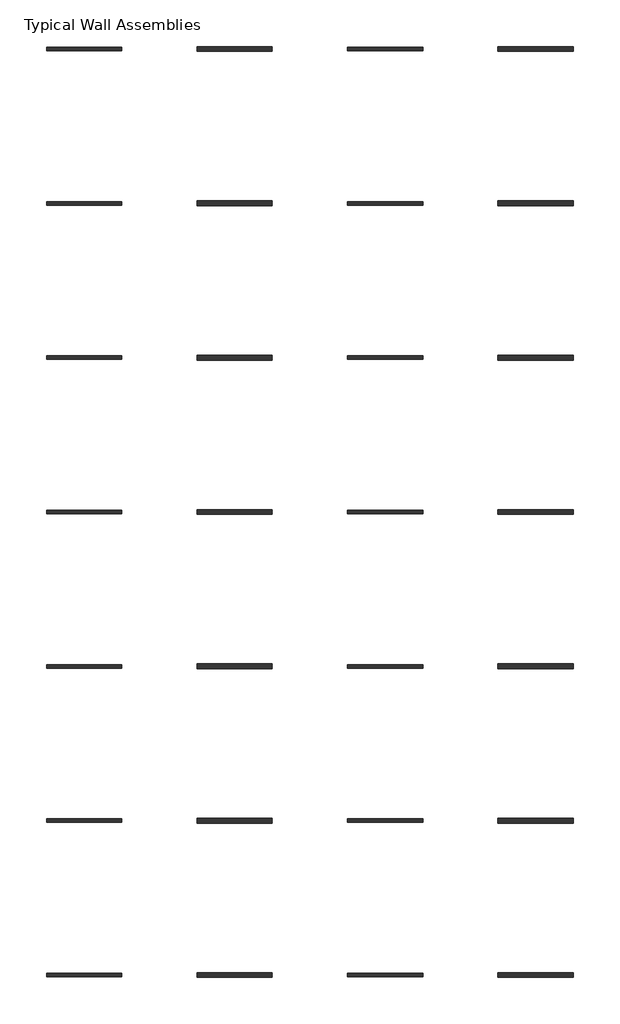
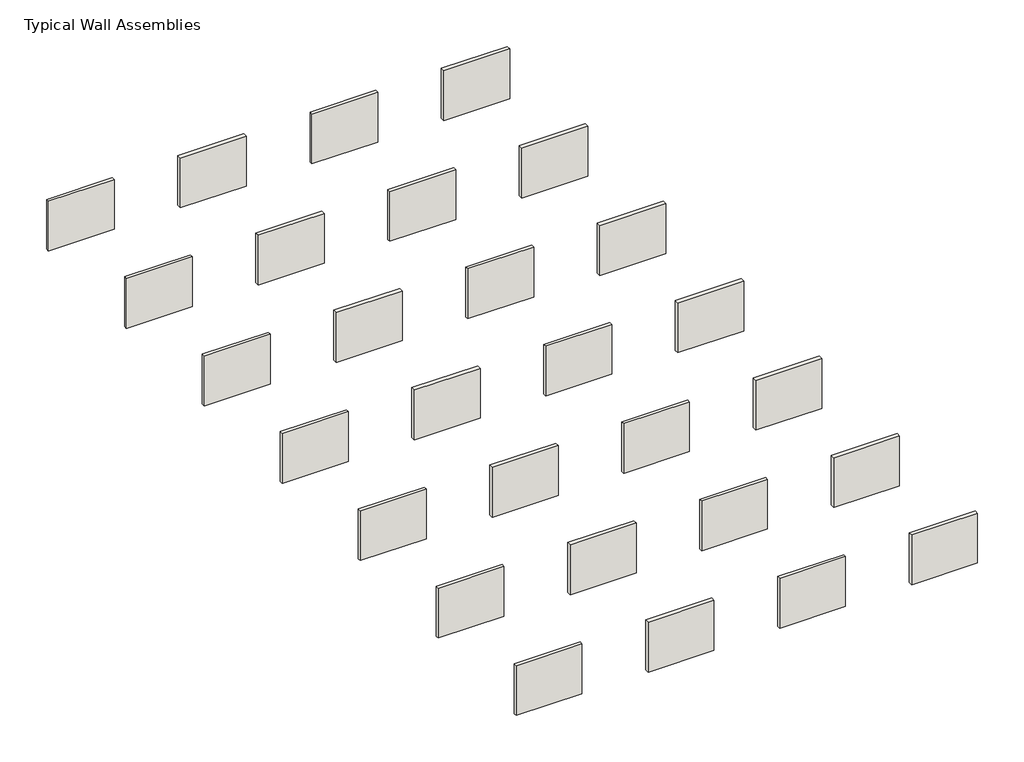
# One storey: 28 walls.
"""IFC4 building model written with IfcOpenShell, lengths in millimetres."""

from ifc_helpers import new_model, si_unit, frame, origin, place, context, project, spatial, polyline, outline, extrude, element, save

model = new_model("IFC4")

# Units and contexts
model_context = context("Model", 3, world=origin())
ifc_project = project(units=[si_unit("LENGTHUNIT", "METRE", prefix="MILLI")], contexts=[model_context])

# Site, building, storey
site = spatial("IfcSite", under=ifc_project)
building = spatial("IfcBuilding", under=site)
storey = spatial("IfcBuildingStorey", under=building, Name="Typical Wall Assemblies", Elevation=6096.0)

# Walls
placement = place(None, origin())
element("IfcWall", 1, at=placement, inside=storey, context=model_context, shape_type="SweptSolid", body=[
    extrude(outline(polyline([(-20030.2558818, 17785.4536912), (-23078.2558818, 17785.4536912), (-23078.2558818, 17929.9161877), (-20030.2558818, 17929.9161877), (-20030.2558818, 17785.4536912)])), frame((0.0, 0.0, 6096.0), z_axis=(0.0, 0.0, 1.0), x_axis=(1.0, 0.0, 0.0)), (0.0, 0.0, 1.0), 2438.4),
])
element("IfcWall", 2, at=placement, inside=storey, context=model_context, shape_type="SweptSolid", body=[
    extrude(outline(polyline([(-13934.2558818, 17760.0536881), (-16982.2558818, 17760.0536881), (-16982.2558818, 17955.3161907), (-13934.2558818, 17955.3161907), (-13934.2558818, 17760.0536881)])), frame((0.0, 0.0, 6096.0), z_axis=(0.0, 0.0, 1.0), x_axis=(1.0, 0.0, 0.0)), (0.0, 0.0, 1.0), 2438.4),
])
element("IfcWall", 3, at=placement, inside=storey, context=model_context, shape_type="SweptSolid", body=[
    extrude(outline(polyline([(-7838.2558818, 17785.4536912), (-10886.2558818, 17785.4536912), (-10886.2558818, 17929.9161877), (-7838.2558818, 17929.9161877), (-7838.2558818, 17785.4536912)])), frame((0.0, 0.0, 6096.0), z_axis=(0.0, 0.0, 1.0), x_axis=(1.0, 0.0, 0.0)), (0.0, 0.0, 1.0), 2438.4),
])
element("IfcWall", 4, at=placement, inside=storey, context=model_context, shape_type="SweptSolid", body=[
    extrude(outline(polyline([(-1742.2558818, 17760.0536881), (-4790.2558818, 17760.0536881), (-4790.2558818, 17955.3161907), (-1742.2558818, 17955.3161907), (-1742.2558818, 17760.0536881)])), frame((0.0, 0.0, 6096.0), z_axis=(0.0, 0.0, 1.0), x_axis=(1.0, 0.0, 0.0)), (0.0, 0.0, 1.0), 2438.4),
])
element("IfcWall", 5, at=placement, inside=storey, context=model_context, shape_type="SweptSolid", body=[
    extrude(outline(polyline([(-20030.2558818, 11537.0536912), (-23078.2558818, 11537.0536912), (-23078.2558818, 11681.5161877), (-20030.2558818, 11681.5161877), (-20030.2558818, 11537.0536912)])), frame((0.0, 0.0, 6096.0), z_axis=(0.0, 0.0, 1.0), x_axis=(1.0, 0.0, 0.0)), (0.0, 0.0, 1.0), 2438.4),
])
element("IfcWall", 6, at=placement, inside=storey, context=model_context, shape_type="SweptSolid", body=[
    extrude(outline(polyline([(-13934.2558818, 11511.6536881), (-16982.2558818, 11511.6536881), (-16982.2558818, 11706.9161907), (-13934.2558818, 11706.9161907), (-13934.2558818, 11511.6536881)])), frame((0.0, 0.0, 6096.0), z_axis=(0.0, 0.0, 1.0), x_axis=(1.0, 0.0, 0.0)), (0.0, 0.0, 1.0), 2438.4),
])
element("IfcWall", 7, at=placement, inside=storey, context=model_context, shape_type="SweptSolid", body=[
    extrude(outline(polyline([(-7838.2558818, 11537.0536912), (-10886.2558818, 11537.0536912), (-10886.2558818, 11681.5161877), (-7838.2558818, 11681.5161877), (-7838.2558818, 11537.0536912)])), frame((0.0, 0.0, 6096.0), z_axis=(0.0, 0.0, 1.0), x_axis=(1.0, 0.0, 0.0)), (0.0, 0.0, 1.0), 2438.4),
])
element("IfcWall", 8, at=placement, inside=storey, context=model_context, shape_type="SweptSolid", body=[
    extrude(outline(polyline([(-1742.2558818, 11511.6536881), (-4790.2558818, 11511.6536881), (-4790.2558818, 11706.9161907), (-1742.2558818, 11706.9161907), (-1742.2558818, 11511.6536881)])), frame((0.0, 0.0, 6096.0), z_axis=(0.0, 0.0, 1.0), x_axis=(1.0, 0.0, 0.0)), (0.0, 0.0, 1.0), 2438.4),
])
element("IfcWall", 9, at=placement, inside=storey, context=model_context, shape_type="SweptSolid", body=[
    extrude(outline(polyline([(-20030.2558818, 5288.6536912), (-23078.2558818, 5288.6536912), (-23078.2558818, 5433.1161877), (-20030.2558818, 5433.1161877), (-20030.2558818, 5288.6536912)])), frame((0.0, 0.0, 6096.0), z_axis=(0.0, 0.0, 1.0), x_axis=(1.0, 0.0, 0.0)), (0.0, 0.0, 1.0), 2438.4),
])
element("IfcWall", 10, at=placement, inside=storey, context=model_context, shape_type="SweptSolid", body=[
    extrude(outline(polyline([(-13934.2558818, 5263.2536881), (-16982.2558818, 5263.2536881), (-16982.2558818, 5458.5161907), (-13934.2558818, 5458.5161907), (-13934.2558818, 5263.2536881)])), frame((0.0, 0.0, 6096.0), z_axis=(0.0, 0.0, 1.0), x_axis=(1.0, 0.0, 0.0)), (0.0, 0.0, 1.0), 2438.4),
])
element("IfcWall", 11, at=placement, inside=storey, context=model_context, shape_type="SweptSolid", body=[
    extrude(outline(polyline([(-7838.2558818, 5288.6536912), (-10886.2558818, 5288.6536912), (-10886.2558818, 5433.1161877), (-7838.2558818, 5433.1161877), (-7838.2558818, 5288.6536912)])), frame((0.0, 0.0, 6096.0), z_axis=(0.0, 0.0, 1.0), x_axis=(1.0, 0.0, 0.0)), (0.0, 0.0, 1.0), 2438.4),
])
element("IfcWall", 12, at=placement, inside=storey, context=model_context, shape_type="SweptSolid", body=[
    extrude(outline(polyline([(-1742.2558818, 5263.2536881), (-4790.2558818, 5263.2536881), (-4790.2558818, 5458.5161907), (-1742.2558818, 5458.5161907), (-1742.2558818, 5263.2536881)])), frame((0.0, 0.0, 6096.0), z_axis=(0.0, 0.0, 1.0), x_axis=(1.0, 0.0, 0.0)), (0.0, 0.0, 1.0), 2438.4),
])
element("IfcWall", 13, at=placement, inside=storey, context=model_context, shape_type="SweptSolid", body=[
    extrude(outline(polyline([(-20030.2558818, -959.7463088), (-23078.2558818, -959.7463088), (-23078.2558818, -815.2838123), (-20030.2558818, -815.2838123), (-20030.2558818, -959.7463088)])), frame((0.0, 0.0, 6096.0), z_axis=(0.0, 0.0, 1.0), x_axis=(1.0, 0.0, 0.0)), (0.0, 0.0, 1.0), 2438.4),
])
element("IfcWall", 14, at=placement, inside=storey, context=model_context, shape_type="SweptSolid", body=[
    extrude(outline(polyline([(-13934.2558818, -985.1463119), (-16982.2558818, -985.1463119), (-16982.2558818, -789.8838093), (-13934.2558818, -789.8838093), (-13934.2558818, -985.1463119)])), frame((0.0, 0.0, 6096.0), z_axis=(0.0, 0.0, 1.0), x_axis=(1.0, 0.0, 0.0)), (0.0, 0.0, 1.0), 2438.4),
])
element("IfcWall", 15, at=placement, inside=storey, context=model_context, shape_type="SweptSolid", body=[
    extrude(outline(polyline([(-7838.2558818, -959.7463088), (-10886.2558818, -959.7463088), (-10886.2558818, -815.2838123), (-7838.2558818, -815.2838123), (-7838.2558818, -959.7463088)])), frame((0.0, 0.0, 6096.0), z_axis=(0.0, 0.0, 1.0), x_axis=(1.0, 0.0, 0.0)), (0.0, 0.0, 1.0), 2438.4),
])
element("IfcWall", 16, at=placement, inside=storey, context=model_context, shape_type="SweptSolid", body=[
    extrude(outline(polyline([(-1742.2558818, -985.1463119), (-4790.2558818, -985.1463119), (-4790.2558818, -789.8838093), (-1742.2558818, -789.8838093), (-1742.2558818, -985.1463119)])), frame((0.0, 0.0, 6096.0), z_axis=(0.0, 0.0, 1.0), x_axis=(1.0, 0.0, 0.0)), (0.0, 0.0, 1.0), 2438.4),
])
element("IfcWall", 17, at=placement, inside=storey, context=model_context, shape_type="SweptSolid", body=[
    extrude(outline(polyline([(-20030.2558818, -7208.1463088), (-23078.2558818, -7208.1463088), (-23078.2558818, -7063.6838123), (-20030.2558818, -7063.6838123), (-20030.2558818, -7208.1463088)])), frame((0.0, 0.0, 6096.0), z_axis=(0.0, 0.0, 1.0), x_axis=(1.0, 0.0, 0.0)), (0.0, 0.0, 1.0), 2438.4),
])
element("IfcWall", 18, at=placement, inside=storey, context=model_context, shape_type="SweptSolid", body=[
    extrude(outline(polyline([(-13934.2558818, -7233.5463119), (-16982.2558818, -7233.5463119), (-16982.2558818, -7038.2838093), (-13934.2558818, -7038.2838093), (-13934.2558818, -7233.5463119)])), frame((0.0, 0.0, 6096.0), z_axis=(0.0, 0.0, 1.0), x_axis=(1.0, 0.0, 0.0)), (0.0, 0.0, 1.0), 2438.4),
])
element("IfcWall", 19, at=placement, inside=storey, context=model_context, shape_type="SweptSolid", body=[
    extrude(outline(polyline([(-7838.2558818, -7208.1463088), (-10886.2558818, -7208.1463088), (-10886.2558818, -7063.6838123), (-7838.2558818, -7063.6838123), (-7838.2558818, -7208.1463088)])), frame((0.0, 0.0, 6096.0), z_axis=(0.0, 0.0, 1.0), x_axis=(1.0, 0.0, 0.0)), (0.0, 0.0, 1.0), 2438.4),
])
element("IfcWall", 20, at=placement, inside=storey, context=model_context, shape_type="SweptSolid", body=[
    extrude(outline(polyline([(-1742.2558818, -7233.5463119), (-4790.2558818, -7233.5463119), (-4790.2558818, -7038.2838093), (-1742.2558818, -7038.2838093), (-1742.2558818, -7233.5463119)])), frame((0.0, 0.0, 6096.0), z_axis=(0.0, 0.0, 1.0), x_axis=(1.0, 0.0, 0.0)), (0.0, 0.0, 1.0), 2438.4),
])
element("IfcWall", 21, at=placement, inside=storey, context=model_context, shape_type="SweptSolid", body=[
    extrude(outline(polyline([(-20030.2558818, -13456.5463088), (-23078.2558818, -13456.5463088), (-23078.2558818, -13312.0838123), (-20030.2558818, -13312.0838123), (-20030.2558818, -13456.5463088)])), frame((0.0, 0.0, 6096.0), z_axis=(0.0, 0.0, 1.0), x_axis=(1.0, 0.0, 0.0)), (0.0, 0.0, 1.0), 2438.4),
])
element("IfcWall", 22, at=placement, inside=storey, context=model_context, shape_type="SweptSolid", body=[
    extrude(outline(polyline([(-13934.2558818, -13481.9463119), (-16982.2558818, -13481.9463119), (-16982.2558818, -13286.6838093), (-13934.2558818, -13286.6838093), (-13934.2558818, -13481.9463119)])), frame((0.0, 0.0, 6096.0), z_axis=(0.0, 0.0, 1.0), x_axis=(1.0, 0.0, 0.0)), (0.0, 0.0, 1.0), 2438.4),
])
element("IfcWall", 23, at=placement, inside=storey, context=model_context, shape_type="SweptSolid", body=[
    extrude(outline(polyline([(-7838.2558818, -13456.5463088), (-10886.2558818, -13456.5463088), (-10886.2558818, -13312.0838123), (-7838.2558818, -13312.0838123), (-7838.2558818, -13456.5463088)])), frame((0.0, 0.0, 6096.0), z_axis=(0.0, 0.0, 1.0), x_axis=(1.0, 0.0, 0.0)), (0.0, 0.0, 1.0), 2438.4),
])
element("IfcWall", 24, at=placement, inside=storey, context=model_context, shape_type="SweptSolid", body=[
    extrude(outline(polyline([(-1742.2558818, -13481.9463119), (-4790.2558818, -13481.9463119), (-4790.2558818, -13286.6838093), (-1742.2558818, -13286.6838093), (-1742.2558818, -13481.9463119)])), frame((0.0, 0.0, 6096.0), z_axis=(0.0, 0.0, 1.0), x_axis=(1.0, 0.0, 0.0)), (0.0, 0.0, 1.0), 2438.4),
])
element("IfcWall", 25, at=placement, inside=storey, context=model_context, shape_type="SweptSolid", body=[
    extrude(outline(polyline([(-20030.2558818, -19704.9463088), (-23078.2558818, -19704.9463088), (-23078.2558818, -19560.4838123), (-20030.2558818, -19560.4838123), (-20030.2558818, -19704.9463088)])), frame((0.0, 0.0, 6096.0), z_axis=(0.0, 0.0, 1.0), x_axis=(1.0, 0.0, 0.0)), (0.0, 0.0, 1.0), 2438.4),
])
element("IfcWall", 26, at=placement, inside=storey, context=model_context, shape_type="SweptSolid", body=[
    extrude(outline(polyline([(-13934.2558818, -19730.3463119), (-16982.2558818, -19730.3463119), (-16982.2558818, -19535.0838093), (-13934.2558818, -19535.0838093), (-13934.2558818, -19730.3463119)])), frame((0.0, 0.0, 6096.0), z_axis=(0.0, 0.0, 1.0), x_axis=(1.0, 0.0, 0.0)), (0.0, 0.0, 1.0), 2438.4),
])
element("IfcWall", 27, at=placement, inside=storey, context=model_context, shape_type="SweptSolid", body=[
    extrude(outline(polyline([(-7838.2558818, -19704.9463088), (-10886.2558818, -19704.9463088), (-10886.2558818, -19560.4838123), (-7838.2558818, -19560.4838123), (-7838.2558818, -19704.9463088)])), frame((0.0, 0.0, 6096.0), z_axis=(0.0, 0.0, 1.0), x_axis=(1.0, 0.0, 0.0)), (0.0, 0.0, 1.0), 2438.4),
])
element("IfcWall", 28, at=placement, inside=storey, context=model_context, shape_type="SweptSolid", body=[
    extrude(outline(polyline([(-1742.2558818, -19730.3463119), (-4790.2558818, -19730.3463119), (-4790.2558818, -19535.0838093), (-1742.2558818, -19535.0838093), (-1742.2558818, -19730.3463119)])), frame((0.0, 0.0, 6096.0), z_axis=(0.0, 0.0, 1.0), x_axis=(1.0, 0.0, 0.0)), (0.0, 0.0, 1.0), 2438.4),
])

save(model, "model.ifc")
